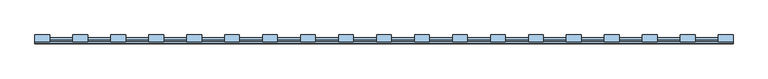
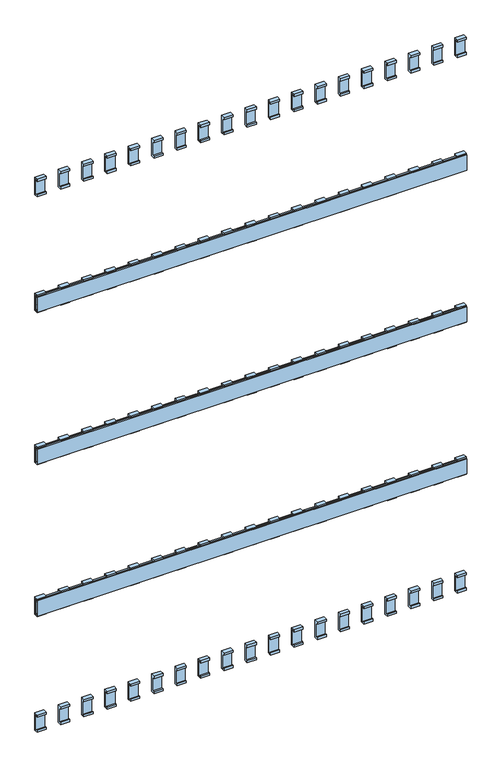
"""IFC4 building model written with IfcOpenShell, lengths in millimetres: window geometry."""

import ifcopenshell
import ifcopenshell.guid

model = None  # the IFC model being written
_history = None  # IfcOwnerHistory: only IFC2X3 demands one
_inside = {}  # id of a spatial element -> (the spatial element, [elements in it])
_under = {}  # id of a project, library or spatial element -> (it, [spatial elements below it])
_declared = {}  # id of a project -> (the project, [libraries it declares])
_typed = {}  # id of a type object -> (the type object, [elements of that type])
_made_of = {}  # id of a material, layer set ... -> (it, [elements and type objects made of it])


def new_model(schema):
    """Start an empty IFC model of exactly this schema.

    Asked for "IFC4X3", IfcOpenShell would pick the latest addendum, in which some entities
    have other attributes; the version numbers below select the first issue.
    IFC2X3 requires an IfcOwnerHistory on every rooted entity: one is made here for all.
    """
    global model, _history
    if schema == "IFC4X3":
        model = ifcopenshell.file(schema_version=(4, 3, 0, 0))
    else:
        model = ifcopenshell.file(schema=schema)
    _inside.clear()
    _under.clear()
    _declared.clear()
    _typed.clear()
    _made_of.clear()
    _history = None
    if model.schema == "IFC2X3":
        org = make("IfcOrganization", Name="unknown")
        user = make(
            "IfcPersonAndOrganization",
            ThePerson=make("IfcPerson", FamilyName="unknown"),
            TheOrganization=org,
        )
        app = make(
            "IfcApplication",
            ApplicationDeveloper=org,
            Version="unknown",
            ApplicationFullName="unknown",
            ApplicationIdentifier="unknown",
        )
        _history = make(
            "IfcOwnerHistory",
            OwningUser=user,
            OwningApplication=app,
            ChangeAction="ADDED",
            CreationDate=0,
        )
    return model


def make(cls, **values):
    """One entity of the class cls with the attributes given. An attribute that is None is left unset."""
    return model.create_entity(
        cls, **{name: value for name, value in values.items() if value is not None}
    )


def rooted(cls, **values):
    """An entity with a GlobalId (a new one), such as an element, a storey or a relation."""
    return make(cls, GlobalId=ifcopenshell.guid.new(), OwnerHistory=_history, **values)


def si_unit(unit_type, name, prefix=None):
    """IfcSIUnit, for example si_unit("LENGTHUNIT", "METRE", prefix="MILLI")."""
    return make("IfcSIUnit", UnitType=unit_type, Prefix=prefix, Name=name)


def assignment(units):
    """IfcUnitAssignment: the units of a project."""
    return None if units is None else make("IfcUnitAssignment", Units=units)


def point(xyz):
    """IfcCartesianPoint."""
    return None if xyz is None else make("IfcCartesianPoint", Coordinates=xyz)


def direction(xyz):
    """IfcDirection."""
    return None if xyz is None else make("IfcDirection", DirectionRatios=xyz)


def frame(location, z_axis=None, x_axis=None):
    """IfcAxis2Placement3D, a coordinate frame: its origin and axes. An axis left out is left unset."""
    return make(
        "IfcAxis2Placement3D",
        Location=point(location),
        Axis=direction(z_axis),
        RefDirection=direction(x_axis),
    )


def origin():
    """The frame at (0, 0, 0) with its axes left unset."""
    return frame((0.0, 0.0, 0.0))


def place(relative_to, where):
    """IfcLocalPlacement: puts the frame where relative to a parent placement (None: the world)."""
    return make(
        "IfcLocalPlacement", PlacementRelTo=relative_to, RelativePlacement=where
    )


def context(
    kind, dimensions, precision=None, world=None, true_north=None, identifier=None
):
    """IfcGeometricRepresentationContext, for example the 3D "Model" context."""
    return make(
        "IfcGeometricRepresentationContext",
        ContextIdentifier=identifier,
        ContextType=kind,
        CoordinateSpaceDimension=dimensions,
        Precision=precision,
        WorldCoordinateSystem=world,
        TrueNorth=true_north,
    )


def project(units=None, contexts=None):
    """IfcProject with its units and contexts."""
    return rooted(
        "IfcProject",
        Name="project",
        RepresentationContexts=contexts,
        UnitsInContext=assignment(units),
    )


def spatial(cls, under=None, at=None, **own):
    """A site, building, storey or space (cls), placed at a placement, below another one or the project."""
    s = rooted(cls, ObjectPlacement=at, **own)
    if under is not None:
        _under.setdefault(under.id(), (under, []))[1].append(s)
    return s


def polyline(points):
    """IfcPolyline through the points."""
    return make("IfcPolyline", Points=[point(p) for p in points])


def outline(outer, holes=None, kind="AREA"):
    """IfcArbitraryClosedProfileDef: a profile drawn as a closed curve; with holes, ...WithVoids."""
    if holes is None:
        return make("IfcArbitraryClosedProfileDef", ProfileType=kind, OuterCurve=outer)
    return make(
        "IfcArbitraryProfileDefWithVoids",
        ProfileType=kind,
        OuterCurve=outer,
        InnerCurves=holes,
    )


def extrude(swept, where, along, depth):
    """IfcExtrudedAreaSolid: the profile swept, set in the frame where, extruded along a direction by depth."""
    return make(
        "IfcExtrudedAreaSolid",
        SweptArea=swept,
        Position=where,
        ExtrudedDirection=direction(along),
        Depth=depth,
    )


def shape(context_of_items, identifier, shape_type, items):
    """IfcShapeRepresentation: the items that make up one representation, for example the "Body"."""
    return make(
        "IfcShapeRepresentation",
        ContextOfItems=context_of_items,
        RepresentationIdentifier=identifier,
        RepresentationType=shape_type,
        Items=items,
    )


def source(mapping_origin, context_of_items, identifier, shape_type, items):
    """IfcRepresentationMap: a shape defined once, which mapped items show again and again."""
    return make(
        "IfcRepresentationMap",
        MappingOrigin=mapping_origin,
        MappedRepresentation=shape(context_of_items, identifier, shape_type, items),
    )


def transform(
    local_origin,
    x_axis=None,
    y_axis=None,
    z_axis=None,
    scale=None,
    scale2=None,
    scale3=None,
    uniform=True,
):
    """IfcCartesianTransformationOperator3D, or its non-uniform kind. x_axis, y_axis, z_axis: its Axis1, 2, 3."""
    if uniform:
        return make(
            "IfcCartesianTransformationOperator3D",
            Axis1=direction(x_axis),
            Axis2=direction(y_axis),
            LocalOrigin=point(local_origin),
            Scale=scale,
            Axis3=direction(z_axis),
        )
    return make(
        "IfcCartesianTransformationOperator3DnonUniform",
        Axis1=direction(x_axis),
        Axis2=direction(y_axis),
        LocalOrigin=point(local_origin),
        Scale=scale,
        Axis3=direction(z_axis),
        Scale2=scale2,
        Scale3=scale3,
    )


def mapped(mapping_source, mapping_target):
    """IfcMappedItem: shows the shape of a source again, moved by a transform."""
    return make(
        "IfcMappedItem", MappingSource=mapping_source, MappingTarget=mapping_target
    )


def made_of(thing, what):
    """Note that an element or type object is made of a material, layer set ...; save() writes the relation."""
    if what is not None:
        _made_of.setdefault(what.id(), (what, []))[1].append(thing)
    return thing


def element(
    cls,
    number,
    at=None,
    inside=None,
    cuts=None,
    type_object=None,
    material=None,
    context=None,
    identifier="Body",
    shape_type=None,
    held_by="IfcProductDefinitionShape",
    body=None,
    shapes=None,
    **own,
):
    """One element of the class cls, such as IfcWall. Its Tag is "e" and its number.

    at: its placement. inside: the storey or other place that contains it. cuts: it is an
    opening in that element (IfcRelVoidsElement). A single representation is given by context,
    identifier, shape_type and body (its items); several are given by shapes. held_by: the class
    of the entity that holds the representations. save() writes the other relations.
    """
    e = rooted(cls, Tag="e%d" % number, ObjectPlacement=at, **own)
    if body is not None:
        shapes = [shape(context, identifier, shape_type, body)]
    if shapes is not None:
        e.Representation = make(held_by, Representations=shapes)
    if inside is not None:
        _inside.setdefault(inside.id(), (inside, []))[1].append(e)
    if cuts is not None:
        rooted(
            "IfcRelVoidsElement", RelatingBuildingElement=cuts, RelatedOpeningElement=e
        )
    if type_object is not None:
        _typed.setdefault(type_object.id(), (type_object, []))[1].append(e)
    return made_of(e, material)


def aggregate(whole, parts):
    """IfcRelAggregates: a whole, such as a stair, and the parts it consists of."""
    return rooted("IfcRelAggregates", RelatingObject=whole, RelatedObjects=parts)


def save(model, path):
    """Write the relations noted so far, then the file.

    IfcRelAggregates (storeys below a building ...), IfcRelContainedInSpatialStructure (elements
    in a storey), IfcRelDefinesByType, IfcRelAssociatesMaterial and IfcRelDeclares: one each for
    every whole, place, type object, material and project.
    """
    for whole, parts in _under.values():
        aggregate(whole, parts)
    for where, things in _inside.values():
        rooted(
            "IfcRelContainedInSpatialStructure",
            RelatedElements=things,
            RelatingStructure=where,
        )
    for kind, things in _typed.values():
        rooted("IfcRelDefinesByType", RelatedObjects=things, RelatingType=kind)
    for what, things in _made_of.values():
        rooted("IfcRelAssociatesMaterial", RelatedObjects=things, RelatingMaterial=what)
    for by, libraries in _declared.values():
        rooted("IfcRelDeclares", RelatingContext=by, RelatedDefinitions=libraries)
    model.write(path)


def window_e08531ed(model_context):
    return source(origin(), model_context, "Body", "SweptSolid", [
        extrude(outline(polyline([(112.1, 1696.5936804), (107.9, 1696.5936804), (107.9, 1692.5936804), (104.1, 1692.5936804), (104.1, 1700.5), (118.0, 1700.5), (118.0, 1637.5), (104.1, 1637.5), (104.1, 1645.4063196), (107.9, 1645.4063196), (107.9, 1641.4063196), (112.1, 1641.4063196), (112.1, 1696.5936804)])), frame((624.5, 0.0, 0.0), z_axis=(1.0, 0.0, 0.0), x_axis=(0.0, 1.0, 0.0)), (0.0, 0.0, 1.0), 31.0),
        extrude(outline(polyline([(112.1, 1146.5936804), (107.9, 1146.5936804), (107.9, 1142.5936804), (104.1, 1142.5936804), (104.1, 1150.5), (118.0, 1150.5), (118.0, 1087.5), (104.1, 1087.5), (104.1, 1095.4063196), (107.9, 1095.4063196), (107.9, 1091.4063196), (112.1, 1091.4063196), (112.1, 1146.5936804)])), frame((624.5, 0.0, 0.0), z_axis=(1.0, 0.0, 0.0), x_axis=(0.0, 1.0, 0.0)), (0.0, 0.0, 1.0), 31.0),
        extrude(outline(polyline([(112.1, 596.5936804), (107.9, 596.5936804), (107.9, 592.5936804), (104.1, 592.5936804), (104.1, 600.5), (118.0, 600.5), (118.0, 537.5), (104.1, 537.5), (104.1, 545.4063196), (107.9, 545.4063196), (107.9, 541.4063196), (112.1, 541.4063196), (112.1, 596.5936804)])), frame((624.5, 0.0, 0.0), z_axis=(1.0, 0.0, 0.0), x_axis=(0.0, 1.0, 0.0)), (0.0, 0.0, 1.0), 31.0),
        extrude(outline(polyline([(112.1, 2060.9063196), (112.1, 2116.0936804), (107.9, 2116.0936804), (107.9, 2112.0936804), (104.1, 2112.0936804), (104.1, 2120.0), (118.0, 2120.0), (118.0, 2057.0), (104.1, 2057.0), (104.1, 2064.9063196), (107.9, 2064.9063196), (107.9, 2060.9063196), (112.1, 2060.9063196)])), frame((624.5, 0.0, 0.0), z_axis=(1.0, 0.0, 0.0), x_axis=(0.0, 1.0, 0.0)), (0.0, 0.0, 1.0), 31.0),
        extrude(outline(polyline([(112.1, 177.0936804), (107.9, 177.0936804), (107.9, 173.0936804), (104.1, 173.0936804), (104.1, 181.0), (118.0, 181.0), (118.0, 118.0), (104.1, 118.0), (104.1, 125.9063196), (107.9, 125.9063196), (107.9, 121.9063196), (112.1, 121.9063196), (112.1, 177.0936804)])), frame((624.5, 0.0, 0.0), z_axis=(1.0, 0.0, 0.0), x_axis=(0.0, 1.0, 0.0)), (0.0, 0.0, 1.0), 31.0),
        extrude(outline(polyline([(112.1, 1696.5936804), (107.9, 1696.5936804), (107.9, 1692.5936804), (104.1, 1692.5936804), (104.1, 1700.5), (118.0, 1700.5), (118.0, 1637.5), (104.1, 1637.5), (104.1, 1645.4063196), (107.9, 1645.4063196), (107.9, 1641.4063196), (112.1, 1641.4063196), (112.1, 1696.5936804)])), frame((544.5, 0.0, 0.0), z_axis=(1.0, 0.0, 0.0), x_axis=(0.0, 1.0, 0.0)), (0.0, 0.0, 1.0), 31.0),
        extrude(outline(polyline([(112.1, 1146.5936804), (107.9, 1146.5936804), (107.9, 1142.5936804), (104.1, 1142.5936804), (104.1, 1150.5), (118.0, 1150.5), (118.0, 1087.5), (104.1, 1087.5), (104.1, 1095.4063196), (107.9, 1095.4063196), (107.9, 1091.4063196), (112.1, 1091.4063196), (112.1, 1146.5936804)])), frame((544.5, 0.0, 0.0), z_axis=(1.0, 0.0, 0.0), x_axis=(0.0, 1.0, 0.0)), (0.0, 0.0, 1.0), 31.0),
        extrude(outline(polyline([(112.1, 596.5936804), (107.9, 596.5936804), (107.9, 592.5936804), (104.1, 592.5936804), (104.1, 600.5), (118.0, 600.5), (118.0, 537.5), (104.1, 537.5), (104.1, 545.4063196), (107.9, 545.4063196), (107.9, 541.4063196), (112.1, 541.4063196), (112.1, 596.5936804)])), frame((544.5, 0.0, 0.0), z_axis=(1.0, 0.0, 0.0), x_axis=(0.0, 1.0, 0.0)), (0.0, 0.0, 1.0), 31.0),
        extrude(outline(polyline([(112.1, 2060.9063196), (112.1, 2116.0936804), (107.9, 2116.0936804), (107.9, 2112.0936804), (104.1, 2112.0936804), (104.1, 2120.0), (118.0, 2120.0), (118.0, 2057.0), (104.1, 2057.0), (104.1, 2064.9063196), (107.9, 2064.9063196), (107.9, 2060.9063196), (112.1, 2060.9063196)])), frame((544.5, 0.0, 0.0), z_axis=(1.0, 0.0, 0.0), x_axis=(0.0, 1.0, 0.0)), (0.0, 0.0, 1.0), 31.0),
        extrude(outline(polyline([(112.1, 177.0936804), (107.9, 177.0936804), (107.9, 173.0936804), (104.1, 173.0936804), (104.1, 181.0), (118.0, 181.0), (118.0, 118.0), (104.1, 118.0), (104.1, 125.9063196), (107.9, 125.9063196), (107.9, 121.9063196), (112.1, 121.9063196), (112.1, 177.0936804)])), frame((544.5, 0.0, 0.0), z_axis=(1.0, 0.0, 0.0), x_axis=(0.0, 1.0, 0.0)), (0.0, 0.0, 1.0), 31.0),
        extrude(outline(polyline([(112.1, 1696.5936804), (107.9, 1696.5936804), (107.9, 1692.5936804), (104.1, 1692.5936804), (104.1, 1700.5), (118.0, 1700.5), (118.0, 1637.5), (104.1, 1637.5), (104.1, 1645.4063196), (107.9, 1645.4063196), (107.9, 1641.4063196), (112.1, 1641.4063196), (112.1, 1696.5936804)])), frame((464.5, 0.0, 0.0), z_axis=(1.0, 0.0, 0.0), x_axis=(0.0, 1.0, 0.0)), (0.0, 0.0, 1.0), 31.0),
        extrude(outline(polyline([(112.1, 1146.5936804), (107.9, 1146.5936804), (107.9, 1142.5936804), (104.1, 1142.5936804), (104.1, 1150.5), (118.0, 1150.5), (118.0, 1087.5), (104.1, 1087.5), (104.1, 1095.4063196), (107.9, 1095.4063196), (107.9, 1091.4063196), (112.1, 1091.4063196), (112.1, 1146.5936804)])), frame((464.5, 0.0, 0.0), z_axis=(1.0, 0.0, 0.0), x_axis=(0.0, 1.0, 0.0)), (0.0, 0.0, 1.0), 31.0),
        extrude(outline(polyline([(112.1, 596.5936804), (107.9, 596.5936804), (107.9, 592.5936804), (104.1, 592.5936804), (104.1, 600.5), (118.0, 600.5), (118.0, 537.5), (104.1, 537.5), (104.1, 545.4063196), (107.9, 545.4063196), (107.9, 541.4063196), (112.1, 541.4063196), (112.1, 596.5936804)])), frame((464.5, 0.0, 0.0), z_axis=(1.0, 0.0, 0.0), x_axis=(0.0, 1.0, 0.0)), (0.0, 0.0, 1.0), 31.0),
        extrude(outline(polyline([(112.1, 2060.9063196), (112.1, 2116.0936804), (107.9, 2116.0936804), (107.9, 2112.0936804), (104.1, 2112.0936804), (104.1, 2120.0), (118.0, 2120.0), (118.0, 2057.0), (104.1, 2057.0), (104.1, 2064.9063196), (107.9, 2064.9063196), (107.9, 2060.9063196), (112.1, 2060.9063196)])), frame((464.5, 0.0, 0.0), z_axis=(1.0, 0.0, 0.0), x_axis=(0.0, 1.0, 0.0)), (0.0, 0.0, 1.0), 31.0),
        extrude(outline(polyline([(112.1, 177.0936804), (107.9, 177.0936804), (107.9, 173.0936804), (104.1, 173.0936804), (104.1, 181.0), (118.0, 181.0), (118.0, 118.0), (104.1, 118.0), (104.1, 125.9063196), (107.9, 125.9063196), (107.9, 121.9063196), (112.1, 121.9063196), (112.1, 177.0936804)])), frame((464.5, 0.0, 0.0), z_axis=(1.0, 0.0, 0.0), x_axis=(0.0, 1.0, 0.0)), (0.0, 0.0, 1.0), 31.0),
        extrude(outline(polyline([(112.1, 1696.5936804), (107.9, 1696.5936804), (107.9, 1692.5936804), (104.1, 1692.5936804), (104.1, 1700.5), (118.0, 1700.5), (118.0, 1637.5), (104.1, 1637.5), (104.1, 1645.4063196), (107.9, 1645.4063196), (107.9, 1641.4063196), (112.1, 1641.4063196), (112.1, 1696.5936804)])), frame((384.5, 0.0, 0.0), z_axis=(1.0, 0.0, 0.0), x_axis=(0.0, 1.0, 0.0)), (0.0, 0.0, 1.0), 31.0),
        extrude(outline(polyline([(112.1, 1146.5936804), (107.9, 1146.5936804), (107.9, 1142.5936804), (104.1, 1142.5936804), (104.1, 1150.5), (118.0, 1150.5), (118.0, 1087.5), (104.1, 1087.5), (104.1, 1095.4063196), (107.9, 1095.4063196), (107.9, 1091.4063196), (112.1, 1091.4063196), (112.1, 1146.5936804)])), frame((384.5, 0.0, 0.0), z_axis=(1.0, 0.0, 0.0), x_axis=(0.0, 1.0, 0.0)), (0.0, 0.0, 1.0), 31.0),
        extrude(outline(polyline([(112.1, 596.5936804), (107.9, 596.5936804), (107.9, 592.5936804), (104.1, 592.5936804), (104.1, 600.5), (118.0, 600.5), (118.0, 537.5), (104.1, 537.5), (104.1, 545.4063196), (107.9, 545.4063196), (107.9, 541.4063196), (112.1, 541.4063196), (112.1, 596.5936804)])), frame((384.5, 0.0, 0.0), z_axis=(1.0, 0.0, 0.0), x_axis=(0.0, 1.0, 0.0)), (0.0, 0.0, 1.0), 31.0),
        extrude(outline(polyline([(112.1, 2060.9063196), (112.1, 2116.0936804), (107.9, 2116.0936804), (107.9, 2112.0936804), (104.1, 2112.0936804), (104.1, 2120.0), (118.0, 2120.0), (118.0, 2057.0), (104.1, 2057.0), (104.1, 2064.9063196), (107.9, 2064.9063196), (107.9, 2060.9063196), (112.1, 2060.9063196)])), frame((384.5, 0.0, 0.0), z_axis=(1.0, 0.0, 0.0), x_axis=(0.0, 1.0, 0.0)), (0.0, 0.0, 1.0), 31.0),
        extrude(outline(polyline([(112.1, 177.0936804), (107.9, 177.0936804), (107.9, 173.0936804), (104.1, 173.0936804), (104.1, 181.0), (118.0, 181.0), (118.0, 118.0), (104.1, 118.0), (104.1, 125.9063196), (107.9, 125.9063196), (107.9, 121.9063196), (112.1, 121.9063196), (112.1, 177.0936804)])), frame((384.5, 0.0, 0.0), z_axis=(1.0, 0.0, 0.0), x_axis=(0.0, 1.0, 0.0)), (0.0, 0.0, 1.0), 31.0),
        extrude(outline(polyline([(112.1, 1696.5936804), (107.9, 1696.5936804), (107.9, 1692.5936804), (104.1, 1692.5936804), (104.1, 1700.5), (118.0, 1700.5), (118.0, 1637.5), (104.1, 1637.5), (104.1, 1645.4063196), (107.9, 1645.4063196), (107.9, 1641.4063196), (112.1, 1641.4063196), (112.1, 1696.5936804)])), frame((304.5, 0.0, 0.0), z_axis=(1.0, 0.0, 0.0), x_axis=(0.0, 1.0, 0.0)), (0.0, 0.0, 1.0), 31.0),
        extrude(outline(polyline([(112.1, 1146.5936804), (107.9, 1146.5936804), (107.9, 1142.5936804), (104.1, 1142.5936804), (104.1, 1150.5), (118.0, 1150.5), (118.0, 1087.5), (104.1, 1087.5), (104.1, 1095.4063196), (107.9, 1095.4063196), (107.9, 1091.4063196), (112.1, 1091.4063196), (112.1, 1146.5936804)])), frame((304.5, 0.0, 0.0), z_axis=(1.0, 0.0, 0.0), x_axis=(0.0, 1.0, 0.0)), (0.0, 0.0, 1.0), 31.0),
        extrude(outline(polyline([(112.1, 596.5936804), (107.9, 596.5936804), (107.9, 592.5936804), (104.1, 592.5936804), (104.1, 600.5), (118.0, 600.5), (118.0, 537.5), (104.1, 537.5), (104.1, 545.4063196), (107.9, 545.4063196), (107.9, 541.4063196), (112.1, 541.4063196), (112.1, 596.5936804)])), frame((304.5, 0.0, 0.0), z_axis=(1.0, 0.0, 0.0), x_axis=(0.0, 1.0, 0.0)), (0.0, 0.0, 1.0), 31.0),
        extrude(outline(polyline([(112.1, 2060.9063196), (112.1, 2116.0936804), (107.9, 2116.0936804), (107.9, 2112.0936804), (104.1, 2112.0936804), (104.1, 2120.0), (118.0, 2120.0), (118.0, 2057.0), (104.1, 2057.0), (104.1, 2064.9063196), (107.9, 2064.9063196), (107.9, 2060.9063196), (112.1, 2060.9063196)])), frame((304.5, 0.0, 0.0), z_axis=(1.0, 0.0, 0.0), x_axis=(0.0, 1.0, 0.0)), (0.0, 0.0, 1.0), 31.0),
        extrude(outline(polyline([(112.1, 177.0936804), (107.9, 177.0936804), (107.9, 173.0936804), (104.1, 173.0936804), (104.1, 181.0), (118.0, 181.0), (118.0, 118.0), (104.1, 118.0), (104.1, 125.9063196), (107.9, 125.9063196), (107.9, 121.9063196), (112.1, 121.9063196), (112.1, 177.0936804)])), frame((304.5, 0.0, 0.0), z_axis=(1.0, 0.0, 0.0), x_axis=(0.0, 1.0, 0.0)), (0.0, 0.0, 1.0), 31.0),
        extrude(outline(polyline([(112.1, 1696.5936804), (107.9, 1696.5936804), (107.9, 1692.5936804), (104.1, 1692.5936804), (104.1, 1700.5), (118.0, 1700.5), (118.0, 1637.5), (104.1, 1637.5), (104.1, 1645.4063196), (107.9, 1645.4063196), (107.9, 1641.4063196), (112.1, 1641.4063196), (112.1, 1696.5936804)])), frame((224.5, 0.0, 0.0), z_axis=(1.0, 0.0, 0.0), x_axis=(0.0, 1.0, 0.0)), (0.0, 0.0, 1.0), 31.0),
        extrude(outline(polyline([(112.1, 1146.5936804), (107.9, 1146.5936804), (107.9, 1142.5936804), (104.1, 1142.5936804), (104.1, 1150.5), (118.0, 1150.5), (118.0, 1087.5), (104.1, 1087.5), (104.1, 1095.4063196), (107.9, 1095.4063196), (107.9, 1091.4063196), (112.1, 1091.4063196), (112.1, 1146.5936804)])), frame((224.5, 0.0, 0.0), z_axis=(1.0, 0.0, 0.0), x_axis=(0.0, 1.0, 0.0)), (0.0, 0.0, 1.0), 31.0),
        extrude(outline(polyline([(112.1, 596.5936804), (107.9, 596.5936804), (107.9, 592.5936804), (104.1, 592.5936804), (104.1, 600.5), (118.0, 600.5), (118.0, 537.5), (104.1, 537.5), (104.1, 545.4063196), (107.9, 545.4063196), (107.9, 541.4063196), (112.1, 541.4063196), (112.1, 596.5936804)])), frame((224.5, 0.0, 0.0), z_axis=(1.0, 0.0, 0.0), x_axis=(0.0, 1.0, 0.0)), (0.0, 0.0, 1.0), 31.0),
        extrude(outline(polyline([(112.1, 2060.9063196), (112.1, 2116.0936804), (107.9, 2116.0936804), (107.9, 2112.0936804), (104.1, 2112.0936804), (104.1, 2120.0), (118.0, 2120.0), (118.0, 2057.0), (104.1, 2057.0), (104.1, 2064.9063196), (107.9, 2064.9063196), (107.9, 2060.9063196), (112.1, 2060.9063196)])), frame((224.5, 0.0, 0.0), z_axis=(1.0, 0.0, 0.0), x_axis=(0.0, 1.0, 0.0)), (0.0, 0.0, 1.0), 31.0),
        extrude(outline(polyline([(112.1, 177.0936804), (107.9, 177.0936804), (107.9, 173.0936804), (104.1, 173.0936804), (104.1, 181.0), (118.0, 181.0), (118.0, 118.0), (104.1, 118.0), (104.1, 125.9063196), (107.9, 125.9063196), (107.9, 121.9063196), (112.1, 121.9063196), (112.1, 177.0936804)])), frame((224.5, 0.0, 0.0), z_axis=(1.0, 0.0, 0.0), x_axis=(0.0, 1.0, 0.0)), (0.0, 0.0, 1.0), 31.0),
        extrude(outline(polyline([(112.1, 1696.5936804), (107.9, 1696.5936804), (107.9, 1692.5936804), (104.1, 1692.5936804), (104.1, 1700.5), (118.0, 1700.5), (118.0, 1637.5), (104.1, 1637.5), (104.1, 1645.4063196), (107.9, 1645.4063196), (107.9, 1641.4063196), (112.1, 1641.4063196), (112.1, 1696.5936804)])), frame((144.5, 0.0, 0.0), z_axis=(1.0, 0.0, 0.0), x_axis=(0.0, 1.0, 0.0)), (0.0, 0.0, 1.0), 31.0),
        extrude(outline(polyline([(112.1, 1146.5936804), (107.9, 1146.5936804), (107.9, 1142.5936804), (104.1, 1142.5936804), (104.1, 1150.5), (118.0, 1150.5), (118.0, 1087.5), (104.1, 1087.5), (104.1, 1095.4063196), (107.9, 1095.4063196), (107.9, 1091.4063196), (112.1, 1091.4063196), (112.1, 1146.5936804)])), frame((144.5, 0.0, 0.0), z_axis=(1.0, 0.0, 0.0), x_axis=(0.0, 1.0, 0.0)), (0.0, 0.0, 1.0), 31.0),
        extrude(outline(polyline([(112.1, 596.5936804), (107.9, 596.5936804), (107.9, 592.5936804), (104.1, 592.5936804), (104.1, 600.5), (118.0, 600.5), (118.0, 537.5), (104.1, 537.5), (104.1, 545.4063196), (107.9, 545.4063196), (107.9, 541.4063196), (112.1, 541.4063196), (112.1, 596.5936804)])), frame((144.5, 0.0, 0.0), z_axis=(1.0, 0.0, 0.0), x_axis=(0.0, 1.0, 0.0)), (0.0, 0.0, 1.0), 31.0),
        extrude(outline(polyline([(112.1, 2060.9063196), (112.1, 2116.0936804), (107.9, 2116.0936804), (107.9, 2112.0936804), (104.1, 2112.0936804), (104.1, 2120.0), (118.0, 2120.0), (118.0, 2057.0), (104.1, 2057.0), (104.1, 2064.9063196), (107.9, 2064.9063196), (107.9, 2060.9063196), (112.1, 2060.9063196)])), frame((144.5, 0.0, 0.0), z_axis=(1.0, 0.0, 0.0), x_axis=(0.0, 1.0, 0.0)), (0.0, 0.0, 1.0), 31.0),
        extrude(outline(polyline([(112.1, 177.0936804), (107.9, 177.0936804), (107.9, 173.0936804), (104.1, 173.0936804), (104.1, 181.0), (118.0, 181.0), (118.0, 118.0), (104.1, 118.0), (104.1, 125.9063196), (107.9, 125.9063196), (107.9, 121.9063196), (112.1, 121.9063196), (112.1, 177.0936804)])), frame((144.5, 0.0, 0.0), z_axis=(1.0, 0.0, 0.0), x_axis=(0.0, 1.0, 0.0)), (0.0, 0.0, 1.0), 31.0),
        extrude(outline(polyline([(112.1, 1696.5936804), (107.9, 1696.5936804), (107.9, 1692.5936804), (104.1, 1692.5936804), (104.1, 1700.5), (118.0, 1700.5), (118.0, 1637.5), (104.1, 1637.5), (104.1, 1645.4063196), (107.9, 1645.4063196), (107.9, 1641.4063196), (112.1, 1641.4063196), (112.1, 1696.5936804)])), frame((64.5, 0.0, 0.0), z_axis=(1.0, 0.0, 0.0), x_axis=(0.0, 1.0, 0.0)), (0.0, 0.0, 1.0), 31.0),
        extrude(outline(polyline([(112.1, 1146.5936804), (107.9, 1146.5936804), (107.9, 1142.5936804), (104.1, 1142.5936804), (104.1, 1150.5), (118.0, 1150.5), (118.0, 1087.5), (104.1, 1087.5), (104.1, 1095.4063196), (107.9, 1095.4063196), (107.9, 1091.4063196), (112.1, 1091.4063196), (112.1, 1146.5936804)])), frame((64.5, 0.0, 0.0), z_axis=(1.0, 0.0, 0.0), x_axis=(0.0, 1.0, 0.0)), (0.0, 0.0, 1.0), 31.0),
        extrude(outline(polyline([(112.1, 596.5936804), (107.9, 596.5936804), (107.9, 592.5936804), (104.1, 592.5936804), (104.1, 600.5), (118.0, 600.5), (118.0, 537.5), (104.1, 537.5), (104.1, 545.4063196), (107.9, 545.4063196), (107.9, 541.4063196), (112.1, 541.4063196), (112.1, 596.5936804)])), frame((64.5, 0.0, 0.0), z_axis=(1.0, 0.0, 0.0), x_axis=(0.0, 1.0, 0.0)), (0.0, 0.0, 1.0), 31.0),
        extrude(outline(polyline([(112.1, 2060.9063196), (112.1, 2116.0936804), (107.9, 2116.0936804), (107.9, 2112.0936804), (104.1, 2112.0936804), (104.1, 2120.0), (118.0, 2120.0), (118.0, 2057.0), (104.1, 2057.0), (104.1, 2064.9063196), (107.9, 2064.9063196), (107.9, 2060.9063196), (112.1, 2060.9063196)])), frame((64.5, 0.0, 0.0), z_axis=(1.0, 0.0, 0.0), x_axis=(0.0, 1.0, 0.0)), (0.0, 0.0, 1.0), 31.0),
        extrude(outline(polyline([(112.1, 177.0936804), (107.9, 177.0936804), (107.9, 173.0936804), (104.1, 173.0936804), (104.1, 181.0), (118.0, 181.0), (118.0, 118.0), (104.1, 118.0), (104.1, 125.9063196), (107.9, 125.9063196), (107.9, 121.9063196), (112.1, 121.9063196), (112.1, 177.0936804)])), frame((64.5, 0.0, 0.0), z_axis=(1.0, 0.0, 0.0), x_axis=(0.0, 1.0, 0.0)), (0.0, 0.0, 1.0), 31.0),
        extrude(outline(polyline([(112.1, 1696.5936804), (107.9, 1696.5936804), (107.9, 1692.5936804), (104.1, 1692.5936804), (104.1, 1700.5), (118.0, 1700.5), (118.0, 1637.5), (104.1, 1637.5), (104.1, 1645.4063196), (107.9, 1645.4063196), (107.9, 1641.4063196), (112.1, 1641.4063196), (112.1, 1696.5936804)])), frame((-15.5, 0.0, 0.0), z_axis=(1.0, 0.0, 0.0), x_axis=(0.0, 1.0, 0.0)), (0.0, 0.0, 1.0), 31.0),
        extrude(outline(polyline([(112.1, 1146.5936804), (107.9, 1146.5936804), (107.9, 1142.5936804), (104.1, 1142.5936804), (104.1, 1150.5), (118.0, 1150.5), (118.0, 1087.5), (104.1, 1087.5), (104.1, 1095.4063196), (107.9, 1095.4063196), (107.9, 1091.4063196), (112.1, 1091.4063196), (112.1, 1146.5936804)])), frame((-15.5, 0.0, 0.0), z_axis=(1.0, 0.0, 0.0), x_axis=(0.0, 1.0, 0.0)), (0.0, 0.0, 1.0), 31.0),
        extrude(outline(polyline([(112.1, 596.5936804), (107.9, 596.5936804), (107.9, 592.5936804), (104.1, 592.5936804), (104.1, 600.5), (118.0, 600.5), (118.0, 537.5), (104.1, 537.5), (104.1, 545.4063196), (107.9, 545.4063196), (107.9, 541.4063196), (112.1, 541.4063196), (112.1, 596.5936804)])), frame((-15.5, 0.0, 0.0), z_axis=(1.0, 0.0, 0.0), x_axis=(0.0, 1.0, 0.0)), (0.0, 0.0, 1.0), 31.0),
        extrude(outline(polyline([(112.1, 2060.9063196), (112.1, 2116.0936804), (107.9, 2116.0936804), (107.9, 2112.0936804), (104.1, 2112.0936804), (104.1, 2120.0), (118.0, 2120.0), (118.0, 2057.0), (104.1, 2057.0), (104.1, 2064.9063196), (107.9, 2064.9063196), (107.9, 2060.9063196), (112.1, 2060.9063196)])), frame((-15.5, 0.0, 0.0), z_axis=(1.0, 0.0, 0.0), x_axis=(0.0, 1.0, 0.0)), (0.0, 0.0, 1.0), 31.0),
        extrude(outline(polyline([(112.1, 177.0936804), (107.9, 177.0936804), (107.9, 173.0936804), (104.1, 173.0936804), (104.1, 181.0), (118.0, 181.0), (118.0, 118.0), (104.1, 118.0), (104.1, 125.9063196), (107.9, 125.9063196), (107.9, 121.9063196), (112.1, 121.9063196), (112.1, 177.0936804)])), frame((-15.5, 0.0, 0.0), z_axis=(1.0, 0.0, 0.0), x_axis=(0.0, 1.0, 0.0)), (0.0, 0.0, 1.0), 31.0),
        extrude(outline(polyline([(112.1, 1696.5936804), (107.9, 1696.5936804), (107.9, 1692.5936804), (104.1, 1692.5936804), (104.1, 1700.5), (118.0, 1700.5), (118.0, 1637.5), (104.1, 1637.5), (104.1, 1645.4063196), (107.9, 1645.4063196), (107.9, 1641.4063196), (112.1, 1641.4063196), (112.1, 1696.5936804)])), frame((-95.5, 0.0, 0.0), z_axis=(1.0, 0.0, 0.0), x_axis=(0.0, 1.0, 0.0)), (0.0, 0.0, 1.0), 31.0),
        extrude(outline(polyline([(112.1, 1146.5936804), (107.9, 1146.5936804), (107.9, 1142.5936804), (104.1, 1142.5936804), (104.1, 1150.5), (118.0, 1150.5), (118.0, 1087.5), (104.1, 1087.5), (104.1, 1095.4063196), (107.9, 1095.4063196), (107.9, 1091.4063196), (112.1, 1091.4063196), (112.1, 1146.5936804)])), frame((-95.5, 0.0, 0.0), z_axis=(1.0, 0.0, 0.0), x_axis=(0.0, 1.0, 0.0)), (0.0, 0.0, 1.0), 31.0),
        extrude(outline(polyline([(112.1, 596.5936804), (107.9, 596.5936804), (107.9, 592.5936804), (104.1, 592.5936804), (104.1, 600.5), (118.0, 600.5), (118.0, 537.5), (104.1, 537.5), (104.1, 545.4063196), (107.9, 545.4063196), (107.9, 541.4063196), (112.1, 541.4063196), (112.1, 596.5936804)])), frame((-95.5, 0.0, 0.0), z_axis=(1.0, 0.0, 0.0), x_axis=(0.0, 1.0, 0.0)), (0.0, 0.0, 1.0), 31.0),
        extrude(outline(polyline([(112.1, 2060.9063196), (112.1, 2116.0936804), (107.9, 2116.0936804), (107.9, 2112.0936804), (104.1, 2112.0936804), (104.1, 2120.0), (118.0, 2120.0), (118.0, 2057.0), (104.1, 2057.0), (104.1, 2064.9063196), (107.9, 2064.9063196), (107.9, 2060.9063196), (112.1, 2060.9063196)])), frame((-95.5, 0.0, 0.0), z_axis=(1.0, 0.0, 0.0), x_axis=(0.0, 1.0, 0.0)), (0.0, 0.0, 1.0), 31.0),
        extrude(outline(polyline([(112.1, 177.0936804), (107.9, 177.0936804), (107.9, 173.0936804), (104.1, 173.0936804), (104.1, 181.0), (118.0, 181.0), (118.0, 118.0), (104.1, 118.0), (104.1, 125.9063196), (107.9, 125.9063196), (107.9, 121.9063196), (112.1, 121.9063196), (112.1, 177.0936804)])), frame((-95.5, 0.0, 0.0), z_axis=(1.0, 0.0, 0.0), x_axis=(0.0, 1.0, 0.0)), (0.0, 0.0, 1.0), 31.0),
        extrude(outline(polyline([(112.1, 1696.5936804), (107.9, 1696.5936804), (107.9, 1692.5936804), (104.1, 1692.5936804), (104.1, 1700.5), (118.0, 1700.5), (118.0, 1637.5), (104.1, 1637.5), (104.1, 1645.4063196), (107.9, 1645.4063196), (107.9, 1641.4063196), (112.1, 1641.4063196), (112.1, 1696.5936804)])), frame((-175.5, 0.0, 0.0), z_axis=(1.0, 0.0, 0.0), x_axis=(0.0, 1.0, 0.0)), (0.0, 0.0, 1.0), 31.0),
        extrude(outline(polyline([(112.1, 1146.5936804), (107.9, 1146.5936804), (107.9, 1142.5936804), (104.1, 1142.5936804), (104.1, 1150.5), (118.0, 1150.5), (118.0, 1087.5), (104.1, 1087.5), (104.1, 1095.4063196), (107.9, 1095.4063196), (107.9, 1091.4063196), (112.1, 1091.4063196), (112.1, 1146.5936804)])), frame((-175.5, 0.0, 0.0), z_axis=(1.0, 0.0, 0.0), x_axis=(0.0, 1.0, 0.0)), (0.0, 0.0, 1.0), 31.0),
        extrude(outline(polyline([(112.1, 596.5936804), (107.9, 596.5936804), (107.9, 592.5936804), (104.1, 592.5936804), (104.1, 600.5), (118.0, 600.5), (118.0, 537.5), (104.1, 537.5), (104.1, 545.4063196), (107.9, 545.4063196), (107.9, 541.4063196), (112.1, 541.4063196), (112.1, 596.5936804)])), frame((-175.5, 0.0, 0.0), z_axis=(1.0, 0.0, 0.0), x_axis=(0.0, 1.0, 0.0)), (0.0, 0.0, 1.0), 31.0),
        extrude(outline(polyline([(112.1, 2060.9063196), (112.1, 2116.0936804), (107.9, 2116.0936804), (107.9, 2112.0936804), (104.1, 2112.0936804), (104.1, 2120.0), (118.0, 2120.0), (118.0, 2057.0), (104.1, 2057.0), (104.1, 2064.9063196), (107.9, 2064.9063196), (107.9, 2060.9063196), (112.1, 2060.9063196)])), frame((-175.5, 0.0, 0.0), z_axis=(1.0, 0.0, 0.0), x_axis=(0.0, 1.0, 0.0)), (0.0, 0.0, 1.0), 31.0),
        extrude(outline(polyline([(112.1, 177.0936804), (107.9, 177.0936804), (107.9, 173.0936804), (104.1, 173.0936804), (104.1, 181.0), (118.0, 181.0), (118.0, 118.0), (104.1, 118.0), (104.1, 125.9063196), (107.9, 125.9063196), (107.9, 121.9063196), (112.1, 121.9063196), (112.1, 177.0936804)])), frame((-175.5, 0.0, 0.0), z_axis=(1.0, 0.0, 0.0), x_axis=(0.0, 1.0, 0.0)), (0.0, 0.0, 1.0), 31.0),
        extrude(outline(polyline([(112.1, 1696.5936804), (107.9, 1696.5936804), (107.9, 1692.5936804), (104.1, 1692.5936804), (104.1, 1700.5), (118.0, 1700.5), (118.0, 1637.5), (104.1, 1637.5), (104.1, 1645.4063196), (107.9, 1645.4063196), (107.9, 1641.4063196), (112.1, 1641.4063196), (112.1, 1696.5936804)])), frame((-255.5, 0.0, 0.0), z_axis=(1.0, 0.0, 0.0), x_axis=(0.0, 1.0, 0.0)), (0.0, 0.0, 1.0), 31.0),
        extrude(outline(polyline([(112.1, 1146.5936804), (107.9, 1146.5936804), (107.9, 1142.5936804), (104.1, 1142.5936804), (104.1, 1150.5), (118.0, 1150.5), (118.0, 1087.5), (104.1, 1087.5), (104.1, 1095.4063196), (107.9, 1095.4063196), (107.9, 1091.4063196), (112.1, 1091.4063196), (112.1, 1146.5936804)])), frame((-255.5, 0.0, 0.0), z_axis=(1.0, 0.0, 0.0), x_axis=(0.0, 1.0, 0.0)), (0.0, 0.0, 1.0), 31.0),
        extrude(outline(polyline([(112.1, 596.5936804), (107.9, 596.5936804), (107.9, 592.5936804), (104.1, 592.5936804), (104.1, 600.5), (118.0, 600.5), (118.0, 537.5), (104.1, 537.5), (104.1, 545.4063196), (107.9, 545.4063196), (107.9, 541.4063196), (112.1, 541.4063196), (112.1, 596.5936804)])), frame((-255.5, 0.0, 0.0), z_axis=(1.0, 0.0, 0.0), x_axis=(0.0, 1.0, 0.0)), (0.0, 0.0, 1.0), 31.0),
        extrude(outline(polyline([(112.1, 2060.9063196), (112.1, 2116.0936804), (107.9, 2116.0936804), (107.9, 2112.0936804), (104.1, 2112.0936804), (104.1, 2120.0), (118.0, 2120.0), (118.0, 2057.0), (104.1, 2057.0), (104.1, 2064.9063196), (107.9, 2064.9063196), (107.9, 2060.9063196), (112.1, 2060.9063196)])), frame((-255.5, 0.0, 0.0), z_axis=(1.0, 0.0, 0.0), x_axis=(0.0, 1.0, 0.0)), (0.0, 0.0, 1.0), 31.0),
        extrude(outline(polyline([(112.1, 177.0936804), (107.9, 177.0936804), (107.9, 173.0936804), (104.1, 173.0936804), (104.1, 181.0), (118.0, 181.0), (118.0, 118.0), (104.1, 118.0), (104.1, 125.9063196), (107.9, 125.9063196), (107.9, 121.9063196), (112.1, 121.9063196), (112.1, 177.0936804)])), frame((-255.5, 0.0, 0.0), z_axis=(1.0, 0.0, 0.0), x_axis=(0.0, 1.0, 0.0)), (0.0, 0.0, 1.0), 31.0),
        extrude(outline(polyline([(112.1, 1696.5936804), (107.9, 1696.5936804), (107.9, 1692.5936804), (104.1, 1692.5936804), (104.1, 1700.5), (118.0, 1700.5), (118.0, 1637.5), (104.1, 1637.5), (104.1, 1645.4063196), (107.9, 1645.4063196), (107.9, 1641.4063196), (112.1, 1641.4063196), (112.1, 1696.5936804)])), frame((-335.5, 0.0, 0.0), z_axis=(1.0, 0.0, 0.0), x_axis=(0.0, 1.0, 0.0)), (0.0, 0.0, 1.0), 31.0),
        extrude(outline(polyline([(112.1, 1146.5936804), (107.9, 1146.5936804), (107.9, 1142.5936804), (104.1, 1142.5936804), (104.1, 1150.5), (118.0, 1150.5), (118.0, 1087.5), (104.1, 1087.5), (104.1, 1095.4063196), (107.9, 1095.4063196), (107.9, 1091.4063196), (112.1, 1091.4063196), (112.1, 1146.5936804)])), frame((-335.5, 0.0, 0.0), z_axis=(1.0, 0.0, 0.0), x_axis=(0.0, 1.0, 0.0)), (0.0, 0.0, 1.0), 31.0),
        extrude(outline(polyline([(112.1, 596.5936804), (107.9, 596.5936804), (107.9, 592.5936804), (104.1, 592.5936804), (104.1, 600.5), (118.0, 600.5), (118.0, 537.5), (104.1, 537.5), (104.1, 545.4063196), (107.9, 545.4063196), (107.9, 541.4063196), (112.1, 541.4063196), (112.1, 596.5936804)])), frame((-335.5, 0.0, 0.0), z_axis=(1.0, 0.0, 0.0), x_axis=(0.0, 1.0, 0.0)), (0.0, 0.0, 1.0), 31.0),
        extrude(outline(polyline([(112.1, 2060.9063196), (112.1, 2116.0936804), (107.9, 2116.0936804), (107.9, 2112.0936804), (104.1, 2112.0936804), (104.1, 2120.0), (118.0, 2120.0), (118.0, 2057.0), (104.1, 2057.0), (104.1, 2064.9063196), (107.9, 2064.9063196), (107.9, 2060.9063196), (112.1, 2060.9063196)])), frame((-335.5, 0.0, 0.0), z_axis=(1.0, 0.0, 0.0), x_axis=(0.0, 1.0, 0.0)), (0.0, 0.0, 1.0), 31.0),
        extrude(outline(polyline([(112.1, 177.0936804), (107.9, 177.0936804), (107.9, 173.0936804), (104.1, 173.0936804), (104.1, 181.0), (118.0, 181.0), (118.0, 118.0), (104.1, 118.0), (104.1, 125.9063196), (107.9, 125.9063196), (107.9, 121.9063196), (112.1, 121.9063196), (112.1, 177.0936804)])), frame((-335.5, 0.0, 0.0), z_axis=(1.0, 0.0, 0.0), x_axis=(0.0, 1.0, 0.0)), (0.0, 0.0, 1.0), 31.0),
        extrude(outline(polyline([(112.1, 1696.5936804), (107.9, 1696.5936804), (107.9, 1692.5936804), (104.1, 1692.5936804), (104.1, 1700.5), (118.0, 1700.5), (118.0, 1637.5), (104.1, 1637.5), (104.1, 1645.4063196), (107.9, 1645.4063196), (107.9, 1641.4063196), (112.1, 1641.4063196), (112.1, 1696.5936804)])), frame((-415.5, 0.0, 0.0), z_axis=(1.0, 0.0, 0.0), x_axis=(0.0, 1.0, 0.0)), (0.0, 0.0, 1.0), 31.0),
        extrude(outline(polyline([(112.1, 1146.5936804), (107.9, 1146.5936804), (107.9, 1142.5936804), (104.1, 1142.5936804), (104.1, 1150.5), (118.0, 1150.5), (118.0, 1087.5), (104.1, 1087.5), (104.1, 1095.4063196), (107.9, 1095.4063196), (107.9, 1091.4063196), (112.1, 1091.4063196), (112.1, 1146.5936804)])), frame((-415.5, 0.0, 0.0), z_axis=(1.0, 0.0, 0.0), x_axis=(0.0, 1.0, 0.0)), (0.0, 0.0, 1.0), 31.0),
        extrude(outline(polyline([(112.1, 596.5936804), (107.9, 596.5936804), (107.9, 592.5936804), (104.1, 592.5936804), (104.1, 600.5), (118.0, 600.5), (118.0, 537.5), (104.1, 537.5), (104.1, 545.4063196), (107.9, 545.4063196), (107.9, 541.4063196), (112.1, 541.4063196), (112.1, 596.5936804)])), frame((-415.5, 0.0, 0.0), z_axis=(1.0, 0.0, 0.0), x_axis=(0.0, 1.0, 0.0)), (0.0, 0.0, 1.0), 31.0),
        extrude(outline(polyline([(112.1, 2060.9063196), (112.1, 2116.0936804), (107.9, 2116.0936804), (107.9, 2112.0936804), (104.1, 2112.0936804), (104.1, 2120.0), (118.0, 2120.0), (118.0, 2057.0), (104.1, 2057.0), (104.1, 2064.9063196), (107.9, 2064.9063196), (107.9, 2060.9063196), (112.1, 2060.9063196)])), frame((-415.5, 0.0, 0.0), z_axis=(1.0, 0.0, 0.0), x_axis=(0.0, 1.0, 0.0)), (0.0, 0.0, 1.0), 31.0),
        extrude(outline(polyline([(112.1, 177.0936804), (107.9, 177.0936804), (107.9, 173.0936804), (104.1, 173.0936804), (104.1, 181.0), (118.0, 181.0), (118.0, 118.0), (104.1, 118.0), (104.1, 125.9063196), (107.9, 125.9063196), (107.9, 121.9063196), (112.1, 121.9063196), (112.1, 177.0936804)])), frame((-415.5, 0.0, 0.0), z_axis=(1.0, 0.0, 0.0), x_axis=(0.0, 1.0, 0.0)), (0.0, 0.0, 1.0), 31.0),
        extrude(outline(polyline([(112.1, 1696.5936804), (107.9, 1696.5936804), (107.9, 1692.5936804), (104.1, 1692.5936804), (104.1, 1700.5), (118.0, 1700.5), (118.0, 1637.5), (104.1, 1637.5), (104.1, 1645.4063196), (107.9, 1645.4063196), (107.9, 1641.4063196), (112.1, 1641.4063196), (112.1, 1696.5936804)])), frame((-495.5, 0.0, 0.0), z_axis=(1.0, 0.0, 0.0), x_axis=(0.0, 1.0, 0.0)), (0.0, 0.0, 1.0), 31.0),
        extrude(outline(polyline([(112.1, 1146.5936804), (107.9, 1146.5936804), (107.9, 1142.5936804), (104.1, 1142.5936804), (104.1, 1150.5), (118.0, 1150.5), (118.0, 1087.5), (104.1, 1087.5), (104.1, 1095.4063196), (107.9, 1095.4063196), (107.9, 1091.4063196), (112.1, 1091.4063196), (112.1, 1146.5936804)])), frame((-495.5, 0.0, 0.0), z_axis=(1.0, 0.0, 0.0), x_axis=(0.0, 1.0, 0.0)), (0.0, 0.0, 1.0), 31.0),
        extrude(outline(polyline([(112.1, 596.5936804), (107.9, 596.5936804), (107.9, 592.5936804), (104.1, 592.5936804), (104.1, 600.5), (118.0, 600.5), (118.0, 537.5), (104.1, 537.5), (104.1, 545.4063196), (107.9, 545.4063196), (107.9, 541.4063196), (112.1, 541.4063196), (112.1, 596.5936804)])), frame((-495.5, 0.0, 0.0), z_axis=(1.0, 0.0, 0.0), x_axis=(0.0, 1.0, 0.0)), (0.0, 0.0, 1.0), 31.0),
        extrude(outline(polyline([(112.1, 2060.9063196), (112.1, 2116.0936804), (107.9, 2116.0936804), (107.9, 2112.0936804), (104.1, 2112.0936804), (104.1, 2120.0), (118.0, 2120.0), (118.0, 2057.0), (104.1, 2057.0), (104.1, 2064.9063196), (107.9, 2064.9063196), (107.9, 2060.9063196), (112.1, 2060.9063196)])), frame((-495.5, 0.0, 0.0), z_axis=(1.0, 0.0, 0.0), x_axis=(0.0, 1.0, 0.0)), (0.0, 0.0, 1.0), 31.0),
        extrude(outline(polyline([(112.1, 177.0936804), (107.9, 177.0936804), (107.9, 173.0936804), (104.1, 173.0936804), (104.1, 181.0), (118.0, 181.0), (118.0, 118.0), (104.1, 118.0), (104.1, 125.9063196), (107.9, 125.9063196), (107.9, 121.9063196), (112.1, 121.9063196), (112.1, 177.0936804)])), frame((-495.5, 0.0, 0.0), z_axis=(1.0, 0.0, 0.0), x_axis=(0.0, 1.0, 0.0)), (0.0, 0.0, 1.0), 31.0),
        extrude(outline(polyline([(112.1, 1696.5936804), (107.9, 1696.5936804), (107.9, 1692.5936804), (104.1, 1692.5936804), (104.1, 1700.5), (118.0, 1700.5), (118.0, 1637.5), (104.1, 1637.5), (104.1, 1645.4063196), (107.9, 1645.4063196), (107.9, 1641.4063196), (112.1, 1641.4063196), (112.1, 1696.5936804)])), frame((-575.5, 0.0, 0.0), z_axis=(1.0, 0.0, 0.0), x_axis=(0.0, 1.0, 0.0)), (0.0, 0.0, 1.0), 31.0),
        extrude(outline(polyline([(112.1, 1146.5936804), (107.9, 1146.5936804), (107.9, 1142.5936804), (104.1, 1142.5936804), (104.1, 1150.5), (118.0, 1150.5), (118.0, 1087.5), (104.1, 1087.5), (104.1, 1095.4063196), (107.9, 1095.4063196), (107.9, 1091.4063196), (112.1, 1091.4063196), (112.1, 1146.5936804)])), frame((-575.5, 0.0, 0.0), z_axis=(1.0, 0.0, 0.0), x_axis=(0.0, 1.0, 0.0)), (0.0, 0.0, 1.0), 31.0),
        extrude(outline(polyline([(112.1, 596.5936804), (107.9, 596.5936804), (107.9, 592.5936804), (104.1, 592.5936804), (104.1, 600.5), (118.0, 600.5), (118.0, 537.5), (104.1, 537.5), (104.1, 545.4063196), (107.9, 545.4063196), (107.9, 541.4063196), (112.1, 541.4063196), (112.1, 596.5936804)])), frame((-575.5, 0.0, 0.0), z_axis=(1.0, 0.0, 0.0), x_axis=(0.0, 1.0, 0.0)), (0.0, 0.0, 1.0), 31.0),
        extrude(outline(polyline([(112.1, 2060.9063196), (112.1, 2116.0936804), (107.9, 2116.0936804), (107.9, 2112.0936804), (104.1, 2112.0936804), (104.1, 2120.0), (118.0, 2120.0), (118.0, 2057.0), (104.1, 2057.0), (104.1, 2064.9063196), (107.9, 2064.9063196), (107.9, 2060.9063196), (112.1, 2060.9063196)])), frame((-575.5, 0.0, 0.0), z_axis=(1.0, 0.0, 0.0), x_axis=(0.0, 1.0, 0.0)), (0.0, 0.0, 1.0), 31.0),
        extrude(outline(polyline([(112.1, 177.0936804), (107.9, 177.0936804), (107.9, 173.0936804), (104.1, 173.0936804), (104.1, 181.0), (118.0, 181.0), (118.0, 118.0), (104.1, 118.0), (104.1, 125.9063196), (107.9, 125.9063196), (107.9, 121.9063196), (112.1, 121.9063196), (112.1, 177.0936804)])), frame((-575.5, 0.0, 0.0), z_axis=(1.0, 0.0, 0.0), x_axis=(0.0, 1.0, 0.0)), (0.0, 0.0, 1.0), 31.0),
        extrude(outline(polyline([(112.1, 1696.5936804), (107.9, 1696.5936804), (107.9, 1692.5936804), (104.1, 1692.5936804), (104.1, 1700.5), (118.0, 1700.5), (118.0, 1637.5), (104.1, 1637.5), (104.1, 1645.4063196), (107.9, 1645.4063196), (107.9, 1641.4063196), (112.1, 1641.4063196), (112.1, 1696.5936804)])), frame((-655.5, 0.0, 0.0), z_axis=(1.0, 0.0, 0.0), x_axis=(0.0, 1.0, 0.0)), (0.0, 0.0, 1.0), 31.0),
        extrude(outline(polyline([(112.1, 1146.5936804), (107.9, 1146.5936804), (107.9, 1142.5936804), (104.1, 1142.5936804), (104.1, 1150.5), (118.0, 1150.5), (118.0, 1087.5), (104.1, 1087.5), (104.1, 1095.4063196), (107.9, 1095.4063196), (107.9, 1091.4063196), (112.1, 1091.4063196), (112.1, 1146.5936804)])), frame((-655.5, 0.0, 0.0), z_axis=(1.0, 0.0, 0.0), x_axis=(0.0, 1.0, 0.0)), (0.0, 0.0, 1.0), 31.0),
        extrude(outline(polyline([(112.1, 596.5936804), (107.9, 596.5936804), (107.9, 592.5936804), (104.1, 592.5936804), (104.1, 600.5), (118.0, 600.5), (118.0, 537.5), (104.1, 537.5), (104.1, 545.4063196), (107.9, 545.4063196), (107.9, 541.4063196), (112.1, 541.4063196), (112.1, 596.5936804)])), frame((-655.5, 0.0, 0.0), z_axis=(1.0, 0.0, 0.0), x_axis=(0.0, 1.0, 0.0)), (0.0, 0.0, 1.0), 31.0),
        extrude(outline(polyline([(112.1, 2060.9063196), (112.1, 2116.0936804), (107.9, 2116.0936804), (107.9, 2112.0936804), (104.1, 2112.0936804), (104.1, 2120.0), (118.0, 2120.0), (118.0, 2057.0), (104.1, 2057.0), (104.1, 2064.9063196), (107.9, 2064.9063196), (107.9, 2060.9063196), (112.1, 2060.9063196)])), frame((-655.5, 0.0, 0.0), z_axis=(1.0, 0.0, 0.0), x_axis=(0.0, 1.0, 0.0)), (0.0, 0.0, 1.0), 31.0),
        extrude(outline(polyline([(112.1, 177.0936804), (107.9, 177.0936804), (107.9, 173.0936804), (104.1, 173.0936804), (104.1, 181.0), (118.0, 181.0), (118.0, 118.0), (104.1, 118.0), (104.1, 125.9063196), (107.9, 125.9063196), (107.9, 121.9063196), (112.1, 121.9063196), (112.1, 177.0936804)])), frame((-655.5, 0.0, 0.0), z_axis=(1.0, 0.0, 0.0), x_axis=(0.0, 1.0, 0.0)), (0.0, 0.0, 1.0), 31.0),
        extrude(outline(polyline([(112.1, 1641.4063196), (112.1, 1696.5936804), (107.9, 1696.5936804), (107.9, 1692.5936804), (104.1, 1692.5936804), (104.1, 1700.5), (118.0, 1700.5), (118.0, 1637.5), (104.1, 1637.5), (104.1, 1645.4063196), (107.9, 1645.4063196), (107.9, 1641.4063196), (112.1, 1641.4063196)])), frame((704.5, 0.0, 0.0), z_axis=(1.0, 0.0, 0.0), x_axis=(0.0, 1.0, 0.0)), (0.0, 0.0, 1.0), 31.0),
        extrude(outline(polyline([(112.1, 1091.4063196), (112.1, 1146.5936804), (107.9, 1146.5936804), (107.9, 1142.5936804), (104.1, 1142.5936804), (104.1, 1150.5), (118.0, 1150.5), (118.0, 1087.5), (104.1, 1087.5), (104.1, 1095.4063196), (107.9, 1095.4063196), (107.9, 1091.4063196), (112.1, 1091.4063196)])), frame((704.5, 0.0, 0.0), z_axis=(1.0, 0.0, 0.0), x_axis=(0.0, 1.0, 0.0)), (0.0, 0.0, 1.0), 31.0),
        extrude(outline(polyline([(112.1, 541.4063196), (112.1, 596.5936804), (107.9, 596.5936804), (107.9, 592.5936804), (104.1, 592.5936804), (104.1, 600.5), (118.0, 600.5), (118.0, 537.5), (104.1, 537.5), (104.1, 545.4063196), (107.9, 545.4063196), (107.9, 541.4063196), (112.1, 541.4063196)])), frame((704.5, 0.0, 0.0), z_axis=(1.0, 0.0, 0.0), x_axis=(0.0, 1.0, 0.0)), (0.0, 0.0, 1.0), 31.0),
        extrude(outline(polyline([(112.1, 2060.9063196), (112.1, 2116.0936804), (107.9, 2116.0936804), (107.9, 2112.0936804), (104.1, 2112.0936804), (104.1, 2120.0), (118.0, 2120.0), (118.0, 2057.0), (104.1, 2057.0), (104.1, 2064.9063196), (107.9, 2064.9063196), (107.9, 2060.9063196), (112.1, 2060.9063196)])), frame((704.5, 0.0, 0.0), z_axis=(1.0, 0.0, 0.0), x_axis=(0.0, 1.0, 0.0)), (0.0, 0.0, 1.0), 31.0),
        extrude(outline(polyline([(112.1, 177.0936804), (107.9, 177.0936804), (107.9, 173.0936804), (104.1, 173.0936804), (104.1, 181.0), (118.0, 181.0), (118.0, 118.0), (104.1, 118.0), (104.1, 125.9063196), (107.9, 125.9063196), (107.9, 121.9063196), (112.1, 121.9063196), (112.1, 177.0936804)])), frame((704.5, 0.0, 0.0), z_axis=(1.0, 0.0, 0.0), x_axis=(0.0, 1.0, 0.0)), (0.0, 0.0, 1.0), 31.0),
        extrude(outline(polyline([(112.1, 1641.4063196), (112.1, 1696.5936804), (107.9, 1696.5936804), (107.9, 1692.5936804), (104.1, 1692.5936804), (104.1, 1700.5), (118.0, 1700.5), (118.0, 1637.5), (104.1, 1637.5), (104.1, 1645.4063196), (107.9, 1645.4063196), (107.9, 1641.4063196), (112.1, 1641.4063196)])), frame((-735.5, 0.0, 0.0), z_axis=(1.0, 0.0, 0.0), x_axis=(0.0, 1.0, 0.0)), (0.0, 0.0, 1.0), 31.0),
        extrude(outline(polyline([(112.1, 1091.4063196), (112.1, 1146.5936804), (107.9, 1146.5936804), (107.9, 1142.5936804), (104.1, 1142.5936804), (104.1, 1150.5), (118.0, 1150.5), (118.0, 1087.5), (104.1, 1087.5), (104.1, 1095.4063196), (107.9, 1095.4063196), (107.9, 1091.4063196), (112.1, 1091.4063196)])), frame((-735.5, 0.0, 0.0), z_axis=(1.0, 0.0, 0.0), x_axis=(0.0, 1.0, 0.0)), (0.0, 0.0, 1.0), 31.0),
        extrude(outline(polyline([(112.1, 541.4063196), (112.1, 596.5936804), (107.9, 596.5936804), (107.9, 592.5936804), (104.1, 592.5936804), (104.1, 600.5), (118.0, 600.5), (118.0, 537.5), (104.1, 537.5), (104.1, 545.4063196), (107.9, 545.4063196), (107.9, 541.4063196), (112.1, 541.4063196)])), frame((-735.5, 0.0, 0.0), z_axis=(1.0, 0.0, 0.0), x_axis=(0.0, 1.0, 0.0)), (0.0, 0.0, 1.0), 31.0),
        extrude(outline(polyline([(112.1, 2060.9063196), (112.1, 2116.0936804), (107.9, 2116.0936804), (107.9, 2112.0936804), (104.1, 2112.0936804), (104.1, 2120.0), (118.0, 2120.0), (118.0, 2057.0), (104.1, 2057.0), (104.1, 2064.9063196), (107.9, 2064.9063196), (107.9, 2060.9063196), (112.1, 2060.9063196)])), frame((-735.5, 0.0, 0.0), z_axis=(1.0, 0.0, 0.0), x_axis=(0.0, 1.0, 0.0)), (0.0, 0.0, 1.0), 31.0),
        extrude(outline(polyline([(112.1, 177.0936804), (107.9, 177.0936804), (107.9, 173.0936804), (104.1, 173.0936804), (104.1, 181.0), (118.0, 181.0), (118.0, 118.0), (104.1, 118.0), (104.1, 125.9063196), (107.9, 125.9063196), (107.9, 121.9063196), (112.1, 121.9063196), (112.1, 177.0936804)])), frame((-735.5, 0.0, 0.0), z_axis=(1.0, 0.0, 0.0), x_axis=(0.0, 1.0, 0.0)), (0.0, 0.0, 1.0), 31.0),
        extrude(outline(polyline([(100.0, 1696.5063196), (104.0, 1696.5063196), (104.0, 1692.5063196), (108.0, 1692.5063196), (108.0, 1696.5063196), (112.0, 1696.5063196), (112.0, 1691.5063196), (109.0, 1691.5063196), (109.0, 1686.5063196), (112.0, 1686.5063196), (112.0, 1674.0063196), (109.0, 1674.0063196), (109.0, 1664.0063196), (112.0, 1664.0063196), (112.0, 1651.5063196), (109.0, 1651.5063196), (109.0, 1646.5063196), (112.0, 1646.5063196), (112.0, 1641.5063196), (108.0, 1641.5063196), (108.0, 1645.5063196), (104.0, 1645.5063196), (104.0, 1641.5063196), (100.0, 1641.5063196), (100.0, 1696.5063196)])), frame((-735.5, 0.0, 0.0), z_axis=(1.0, 0.0, 0.0), x_axis=(0.0, 1.0, 0.0)), (0.0, 0.0, 1.0), 1471.0),
        extrude(outline(polyline([(100.0, 1146.5063196), (104.0, 1146.5063196), (104.0, 1142.5063196), (108.0, 1142.5063196), (108.0, 1146.5063196), (112.0, 1146.5063196), (112.0, 1141.5063196), (109.0, 1141.5063196), (109.0, 1136.5063196), (112.0, 1136.5063196), (112.0, 1124.0063196), (109.0, 1124.0063196), (109.0, 1114.0063196), (112.0, 1114.0063196), (112.0, 1101.5063196), (109.0, 1101.5063196), (109.0, 1096.5063196), (112.0, 1096.5063196), (112.0, 1091.5063196), (108.0, 1091.5063196), (108.0, 1095.5063196), (104.0, 1095.5063196), (104.0, 1091.5063196), (100.0, 1091.5063196), (100.0, 1146.5063196)])), frame((-735.5, 0.0, 0.0), z_axis=(1.0, 0.0, 0.0), x_axis=(0.0, 1.0, 0.0)), (0.0, 0.0, 1.0), 1471.0),
        extrude(outline(polyline([(100.0, 596.5063196), (104.0, 596.5063196), (104.0, 592.5063196), (108.0, 592.5063196), (108.0, 596.5063196), (112.0, 596.5063196), (112.0, 591.5063196), (109.0, 591.5063196), (109.0, 586.5063196), (112.0, 586.5063196), (112.0, 574.0063196), (109.0, 574.0063196), (109.0, 564.0063196), (112.0, 564.0063196), (112.0, 551.5063196), (109.0, 551.5063196), (109.0, 546.5063196), (112.0, 546.5063196), (112.0, 541.5063196), (108.0, 541.5063196), (108.0, 545.5063196), (104.0, 545.5063196), (104.0, 541.5063196), (100.0, 541.5063196), (100.0, 596.5063196)])), frame((-735.5, 0.0, 0.0), z_axis=(1.0, 0.0, 0.0), x_axis=(0.0, 1.0, 0.0)), (0.0, 0.0, 1.0), 1471.0),
    ])


if __name__ == "__main__":
    model = new_model("IFC4")
    model_context = context("Model", 3, world=origin())
    ifc_project = project(units=[si_unit("LENGTHUNIT", "METRE", prefix="MILLI")], contexts=[model_context])
    site = spatial("IfcSite", under=ifc_project)
    building = spatial("IfcBuilding", under=site)
    placement = place(None, origin())
    window_shape = window_e08531ed(model_context)
    element("IfcWindow", 1, at=placement, inside=building, context=model_context, shape_type="MappedRepresentation", body=[
        mapped(window_shape, transform((0.0, 0.0, 0.0), x_axis=(1.0, 0.0, 0.0), y_axis=(0.0, 1.0, 0.0), z_axis=(0.0, 0.0, 1.0))),
    ])
    save(model, "model.ifc")
